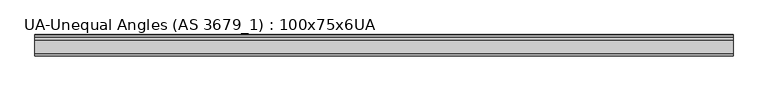
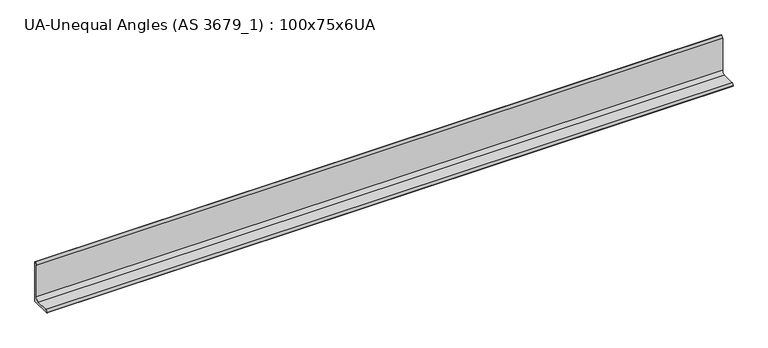
"""IFC4 building model written with IfcOpenShell, lengths in millimetres: beam geometry, UA-Unequal Angles (AS 3679_1) : 100x75x6UA."""

from ifc_helpers import new_model, si_unit, point, frame, frame_2d, origin, place, context, project, spatial, polyline, circle_curve, trimmed, segment, composite_curve, outline, extrude, source, transform, mapped, element, save


def ua_unequal_angles_as_3679_1_100x75x6ua_88eb2906(model_context):
    return source(origin(), model_context, "Body", "SweptSolid", [
        extrude(outline(composite_curve([segment(polyline([(17.9, -30.3), (-32.1, -30.3), (-32.1, -29.3)]), True, "CONTINUOUS"), segment(trimmed(circle_curve(frame_2d((-27.1, -29.3)), 5.0), [point((-32.1, -29.3))], [point((-27.1, -24.3))], False, "CARTESIAN"), True, "CONTINUOUS"), segment(polyline([(-27.1, -24.3), (3.9, -24.3)]), True, "CONTINUOUS"), segment(trimmed(circle_curve(frame_2d((3.9, -16.3)), 8.0), [point((3.9, -24.3))], [point((11.9, -16.3))], True, "CARTESIAN"), True, "CONTINUOUS"), segment(polyline([(11.9, -16.3), (11.9, 64.7)]), True, "CONTINUOUS"), segment(trimmed(circle_curve(frame_2d((16.9, 64.7)), 5.0), [point((11.9, 64.7))], [point((16.9, 69.7))], False, "CARTESIAN"), True, "CONTINUOUS"), segment(polyline([(16.9, 69.7), (17.9, 69.7), (17.9, -30.3)]), True, "CONTINUOUS")], self_intersect=False)), frame((-850.0, 0.0, 0.0), z_axis=(1.0, 0.0, 0.0), x_axis=(0.0, 1.0, 0.0)), (0.0, 0.0, 1.0), 1647.5444333),
    ])


if __name__ == "__main__":
    model = new_model("IFC4")
    model_context = context("Model", 3, world=origin())
    ifc_project = project(units=[si_unit("LENGTHUNIT", "METRE", prefix="MILLI")], contexts=[model_context])
    site = spatial("IfcSite", under=ifc_project)
    building = spatial("IfcBuilding", under=site)
    placement = place(None, origin())
    ua_unequal_angles_as_3679_1_100x75x6ua_shape = ua_unequal_angles_as_3679_1_100x75x6ua_88eb2906(model_context)
    element("IfcBeam", 1, ObjectType="UA-Unequal Angles (AS 3679_1) : 100x75x6UA", at=placement, inside=building, context=model_context, shape_type="MappedRepresentation", body=[
        mapped(ua_unequal_angles_as_3679_1_100x75x6ua_shape, transform((0.0, 0.0, 0.0), x_axis=(1.0, 0.0, 0.0), y_axis=(0.0, 1.0, 0.0), z_axis=(0.0, 0.0, 1.0))),
    ])
    save(model, "model.ifc")
